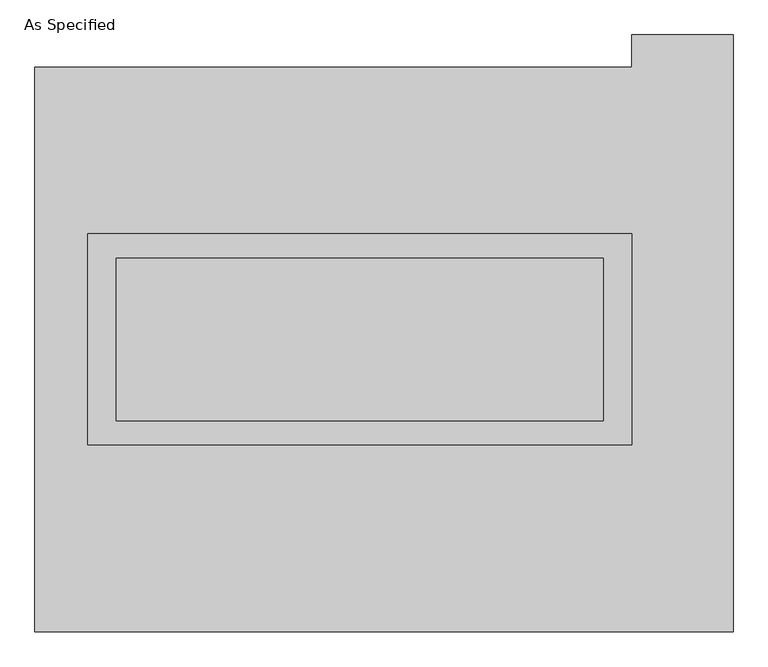
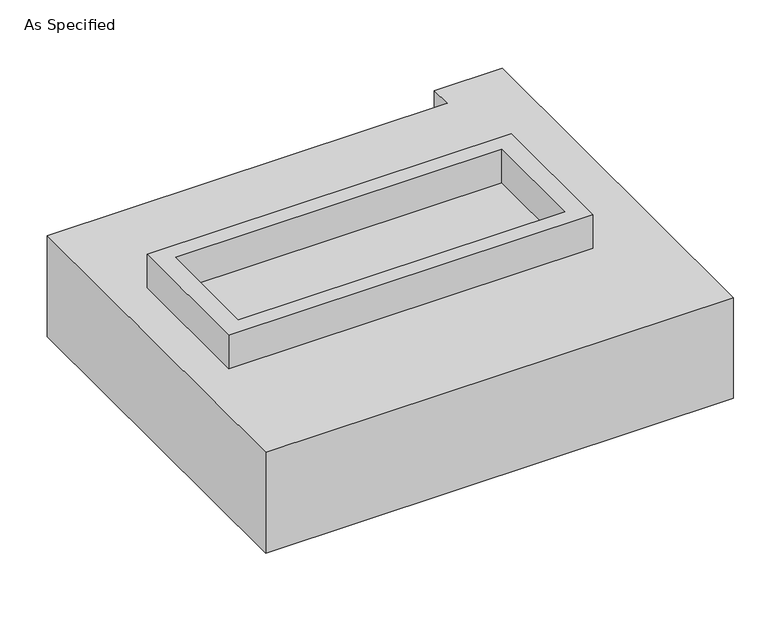
"""IFC4 building model written with IfcOpenShell, lengths in millimetres: proxy geometry, As Specified."""

from ifc_helpers import new_model, si_unit, frame, origin, place, context, project, spatial, polyline, outline, extrude, source, transform, mapped, element, save


def as_specified_2d3b288d(model_context):
    return source(origin(), model_context, "Body", "SweptSolid", [
        extrude(outline(polyline([(850.9, 361.95), (850.9, -298.45), (-850.9, -298.45), (-850.9, 361.95), (850.9, 361.95)]), holes=[polyline([(762.0, 285.75), (-762.0, 285.75), (-762.0, -222.25), (762.0, -222.25), (762.0, 285.75)])]), frame((0.0, 0.0, -688.975), z_axis=(0.0, 0.0, 1.0), x_axis=(1.0, 0.0, 0.0)), (0.0, 0.0, 1.0), 165.1),
        extrude(outline(polyline([(850.9, 361.95), (850.9, -298.45), (-850.9, -298.45), (-850.9, 361.95), (850.9, 361.95)]), holes=[polyline([(762.0, 285.75), (-762.0, 285.75), (-762.0, -222.25), (762.0, -222.25), (762.0, 285.75)])]), frame((0.0, 0.0, -25.4), z_axis=(0.0, 0.0, 1.0), x_axis=(1.0, 0.0, 0.0)), (0.0, 0.0, 1.0), 165.1),
        extrude(outline(polyline([(762.0, 285.75), (762.0, -222.25), (-762.0, -222.25), (-762.0, 285.75), (762.0, 285.75)])), frame((0.0, 0.0, -523.875), z_axis=(0.0, 0.0, 1.0), x_axis=(1.0, 0.0, 0.0)), (0.0, 0.0, 1.0), 4.9609375),
        extrude(outline(polyline([(762.0, 285.75), (762.0, -222.25), (-762.0, -222.25), (-762.0, 285.75), (762.0, 285.75)])), frame((0.0, 0.0, -30.3609375), z_axis=(0.0, 0.0, 1.0), x_axis=(1.0, 0.0, 0.0)), (0.0, 0.0, 1.0), 4.9609375),
        extrude(outline(polyline([(1168.4, -882.65), (-1016.0, -882.65), (-1016.0, 882.65), (850.9, 882.65), (850.9, 984.25), (1168.4, 984.25), (1168.4, -882.65)]), holes=[polyline([(-850.9, 361.95), (-850.9, -298.45), (850.9, -298.45), (850.9, 361.95), (-850.9, 361.95)])]), frame((0.0, 0.0, -523.875), z_axis=(0.0, 0.0, 1.0), x_axis=(1.0, 0.0, 0.0)), (0.0, 0.0, 1.0), 498.475),
    ])


if __name__ == "__main__":
    model = new_model("IFC4")
    model_context = context("Model", 3, world=origin())
    ifc_project = project(units=[si_unit("LENGTHUNIT", "METRE", prefix="MILLI")], contexts=[model_context])
    site = spatial("IfcSite", under=ifc_project)
    building = spatial("IfcBuilding", under=site)
    placement = place(None, origin())
    as_specified_shape = as_specified_2d3b288d(model_context)
    element("IfcBuildingElementProxy", 1, Name="As Specified", ObjectType="As Specified", at=placement, inside=building, context=model_context, shape_type="MappedRepresentation", body=[
        mapped(as_specified_shape, transform((0.0, 0.0, 0.0), x_axis=(1.0, 0.0, 0.0), y_axis=(0.0, 1.0, 0.0), z_axis=(0.0, 0.0, 1.0))),
    ])
    save(model, "model.ifc")
